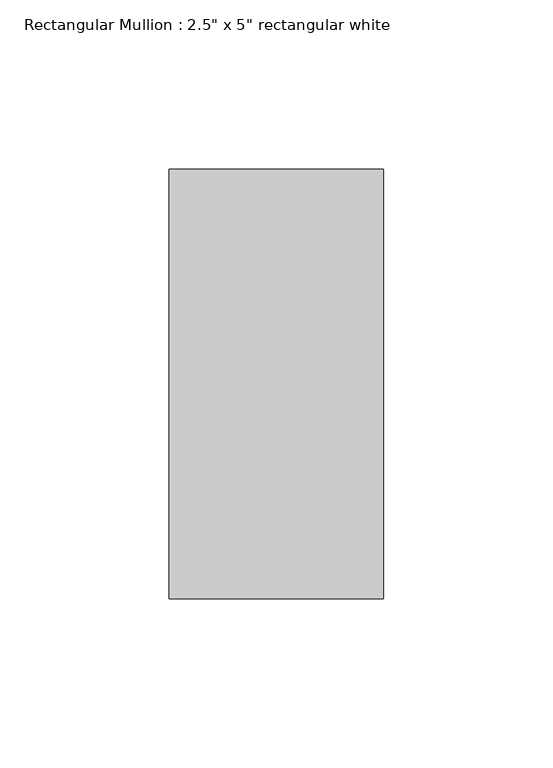
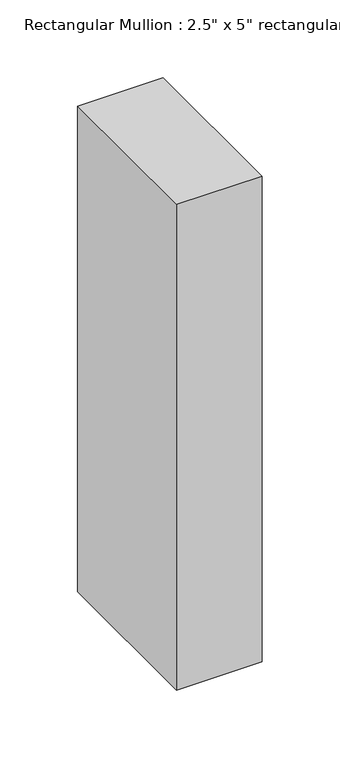
"""IFC4 building model written with IfcOpenShell, lengths in millimetres: member geometry."""

from ifc_helpers import new_model, si_unit, frame, origin, place, context, project, spatial, polyline, outline, extrude, source, transform, mapped, element, save


def member_dfe75557(model_context):
    return source(origin(), model_context, "Body", "SweptSolid", [
        extrude(outline(polyline([(0.0, 63.5), (0.0, -63.5), (-63.5, -63.5), (-63.5, 63.5), (0.0, 63.5)])), frame((0.0, 0.0, -381.0), z_axis=(0.0, 0.0, 1.0), x_axis=(1.0, 0.0, 0.0)), (0.0, 0.0, 1.0), 381.0),
    ])


if __name__ == "__main__":
    model = new_model("IFC4")
    model_context = context("Model", 3, world=origin())
    ifc_project = project(units=[si_unit("LENGTHUNIT", "METRE", prefix="MILLI")], contexts=[model_context])
    site = spatial("IfcSite", under=ifc_project)
    building = spatial("IfcBuilding", under=site)
    placement = place(None, origin())
    member_shape = member_dfe75557(model_context)
    element("IfcMember", 1, ObjectType="Rectangular Mullion : 2.5\" x 5\" rectangular white", at=placement, inside=building, context=model_context, shape_type="MappedRepresentation", body=[
        mapped(member_shape, transform((0.0, 0.0, 0.0), x_axis=(1.0, 0.0, 0.0), y_axis=(0.0, 1.0, 0.0), z_axis=(0.0, 0.0, 1.0))),
    ])
    save(model, "model.ifc")
